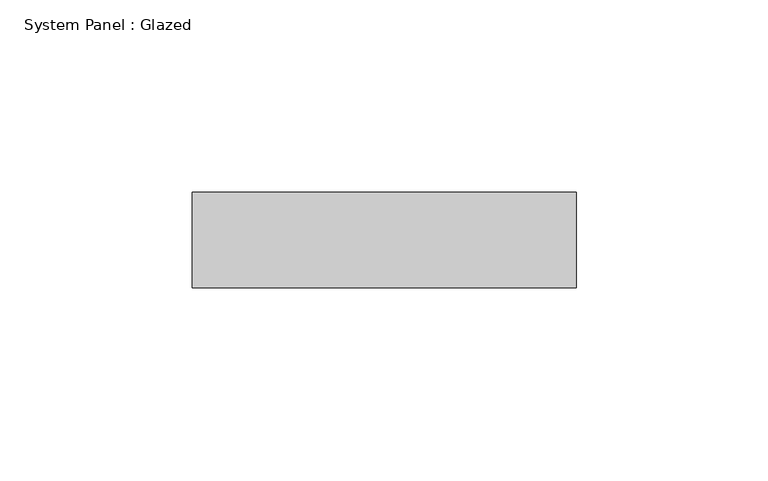
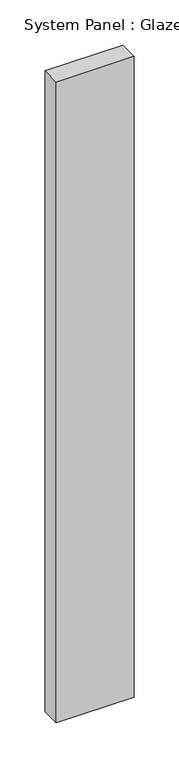
"""IFC4 building model written with IfcOpenShell, lengths in millimetres: plate geometry, System Panel : Glazed."""

from ifc_helpers import new_model, si_unit, origin, origin_with_axes, place, context, project, spatial, polyline, outline, extrude, source, transform, mapped, element, save


def system_panel_glazed_272b6d04(model_context):
    return source(origin(), model_context, "Body", "SweptSolid", [
        extrude(outline(polyline([(50.0, -49.5), (-50.0, -49.5), (-50.0, -24.5), (50.0, -24.5), (50.0, -49.5)])), origin_with_axes(), (0.0, 0.0, 1.0), 868.3333333),
    ])


if __name__ == "__main__":
    model = new_model("IFC4")
    model_context = context("Model", 3, world=origin())
    ifc_project = project(units=[si_unit("LENGTHUNIT", "METRE", prefix="MILLI")], contexts=[model_context])
    site = spatial("IfcSite", under=ifc_project)
    building = spatial("IfcBuilding", under=site)
    placement = place(None, origin())
    system_panel_glazed_shape = system_panel_glazed_272b6d04(model_context)
    element("IfcPlate", 1, ObjectType="System Panel : Glazed", at=placement, inside=building, context=model_context, shape_type="MappedRepresentation", body=[
        mapped(system_panel_glazed_shape, transform((0.0, 0.0, 0.0), x_axis=(1.0, 0.0, 0.0), y_axis=(0.0, 1.0, 0.0), z_axis=(0.0, 0.0, 1.0))),
    ])
    save(model, "model.ifc")
